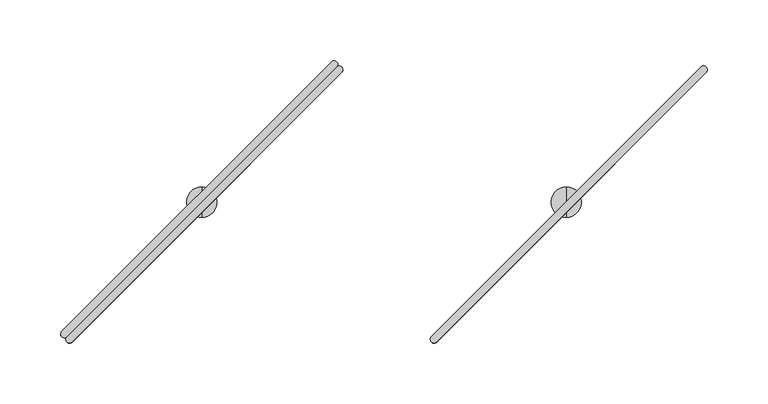
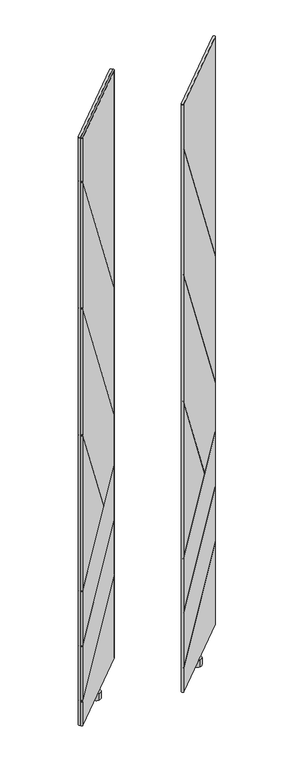
"""IFC4 building model written with IfcOpenShell, lengths in millimetres: furniture geometry."""

from ifc_helpers import new_model, si_unit, frame, origin, place, context, project, spatial, circle_curve, ellipse_curve, source, transform, mapped, element, save
from ifc_brep_helpers import plane_surface, cylinder_surface, advanced_brep


def furniture_d6d1e725(model_context):
    return source(origin(), model_context, "Body", "AdvancedBrep", [
        advanced_brep(
        [(189.0394266, -183.0083649, 1930.6159983), (193.3021387, -187.2719392, 1930.6159983), (415.3105076, 34.7398168, 1930.6159983), (411.0965142, 38.9555155, 1930.6159983), (189.0394267, -183.0083649, 80.7339983), (411.0965142, 38.9555155, 80.7339983), (415.3105076, 34.7398168, 80.7339983), (193.3021387, -187.2719392, 80.7339983), (193.3021387, -187.2719392, 157.2450364), (189.7070723, -187.7758015, 155.5577715), (189.7070723, -187.7758015, 159.2609644), (193.3021387, -187.2719392, 160.9482293), (193.3021387, -187.2719392, 331.0842819), (189.7070723, -187.7758015, 329.397073), (189.7070723, -187.7758015, 331.2192637), (193.3021387, -187.2719392, 332.9064727), (193.3021387, -187.2719392, 503.9007569), (189.7070723, -187.7758015, 502.2133563), (189.7070723, -187.7758015, 504.0355995), (193.3021387, -187.2719392, 505.723), (193.3021387, -187.2719392, 988.4501208), (189.7070723, -187.7758015, 993.5149532), (189.7070723, -187.7758015, 996.6856054), (193.3021387, -187.2719392, 991.620773), (193.3021387, -187.2719392, 1387.9049255), (189.7070723, -187.7758015, 1392.9697579), (189.7070723, -187.7758015, 1396.14041), (193.3021387, -187.2719392, 1391.0755777), (193.3021387, -187.2719392, 1787.3575622), (189.7070723, -187.7758015, 1792.4233739), (189.7070723, -187.7758015, 1795.594488), (193.3021387, -187.2719392, 1790.5286762), (415.3105076, 34.7398168, 343.7227086), (415.3105076, 34.7398168, 513.852707), (415.3105076, 34.7398168, 515.6748977), (415.3105076, 34.7398168, 686.6899393), (339.8202556, -40.7515869, 626.3577623), (340.7826171, -39.7892108, 627.1501165), (415.3105076, 34.7398168, 688.5121824), (415.3105076, 34.7398168, 839.2524065), (415.3105076, 34.7398168, 842.4230587), (415.3105076, 34.7398168, 1238.5989503), (415.3105076, 34.7398168, 1241.7700643), (415.3105076, 34.7398168, 340.0195157), (415.7462357, 38.263362, 1236.8768508), (415.7462357, 38.263362, 1233.7057367), (415.7462357, 38.263362, 837.5307912), (415.7462357, 38.263362, 834.360139), (415.7462357, 38.263362, 690.1420912), (415.7462357, 38.263362, 688.3198481), (415.7462357, 38.263362, 517.3046215), (415.7462357, 38.263362, 515.4824307), (415.7462357, 38.263362, 345.3524863), (415.7462357, 38.263362, 341.6492934), (339.23814, -38.2447337, 627.1501165), (338.2757712, -39.2071025, 626.3577623)],
        [
            (0, 1, circle_curve(frame((191.1705508, -185.1403839, 1930.6159983), z_axis=(0.0, 0.0, 1.0), x_axis=(-0.7072551987263337, -0.7069583324882551, 0.0)), 3.0144975)),
            (1, 2),
            (2, 3, circle_curve(frame((413.1513589, 36.7955352, 1930.6159983), z_axis=(0.0, 0.0, 1.0), x_axis=(0.6895472047235311, 0.7242407420588576, 0.0)), 2.9812584)),
            (3, 0),
            (4, 5),
            (5, 6, circle_curve(frame((413.1513589, 36.7955352, 80.7339983), z_axis=(0.0, 0.0, -1.0), x_axis=(0.6895472047235311, 0.7242407420588576, 0.0)), 2.9812584)),
            (6, 7),
            (7, 4, circle_curve(frame((191.1705508, -185.1403839, 80.7339983), z_axis=(0.0, 0.0, -1.0), x_axis=(-0.7072551987263337, -0.7069583324882551, 0.0)), 3.0144975)),
            (0, 4),
            (7, 8),
            (8, 9, ellipse_curve(frame((191.1705508, -185.1403839, 157.245023), z_axis=(0.3557466555065141, 0.35574665550651347, -0.8642271889913322), x_axis=(0.6111009058215596, 0.6111009058215586, 0.5031017449861808)), 3.4880845, 3.0144975)),
            (9, 10),
            (10, 11, ellipse_curve(frame((191.1705508, -185.1403839, 160.9482159), z_axis=(-0.3557466555065138, -0.3557466555065132, 0.8642271889913322), x_axis=(0.6111009058215596, 0.6111009058215585, 0.5031017449861812)), 3.4880845, 3.0144975)),
            (11, 12),
            (12, 13, ellipse_curve(frame((191.1705508, -185.1403839, 331.0842685), z_axis=(0.3557378542673982, 0.35573785426739757, -0.8642344346775678), x_axis=(0.611106029295431, 0.61110602929543, 0.5030892981544577)), 3.4880553, 3.0144975)),
            (13, 14),
            (14, 15, ellipse_curve(frame((191.1705508, -185.1403839, 332.9064593), z_axis=(-0.3557378542673982, -0.35573785426739757, 0.8642344346775679), x_axis=(0.6111060292954311, 0.6111060292954301, 0.5030892981544572)), 3.4880553, 3.0144975)),
            (15, 16),
            (16, 17, ellipse_curve(frame((191.1705508, -185.1403839, 503.9007435), z_axis=(0.35576802902276067, 0.35576802902276006, -0.8642095920843049), x_axis=(0.6110884629292728, 0.6110884629292717, 0.5031319717027326)), 3.4881556, 3.0144975)),
            (17, 18),
            (18, 19, ellipse_curve(frame((191.1705508, -185.1403839, 505.7229867), z_axis=(-0.3557680290227606, -0.35576802902276, 0.864209592084305), x_axis=(0.6110884629292728, 0.6110884629292717, 0.5031319717027324)), 3.4881556, 3.0144975)),
            (19, 20),
            (20, 21, ellipse_curve(frame((191.1705508, -185.1403839, 988.450161), z_axis=(-0.6137217711363941, -0.6137217711363931, -0.4966801538882102), x_axis=(-0.3512059048951317, -0.3512059048951311, 0.8679336522647246)), 6.0692932, 3.0144975)),
            (21, 22),
            (22, 23, ellipse_curve(frame((191.1705508, -185.1403839, 991.6208132), z_axis=(0.6137217711363941, 0.613721771136393, 0.49668015388821024), x_axis=(-0.35120590489513176, -0.3512059048951311, 0.8679336522647245)), 6.0692932, 3.0144975)),
            (23, 24),
            (24, 25, ellipse_curve(frame((191.1705508, -185.1403839, 1387.9049657), z_axis=(-0.6137217711363941, -0.6137217711363931, -0.4966801538882103), x_axis=(-0.35120590489513176, -0.3512059048951312, 0.8679336522647245)), 6.0692932, 3.0144975)),
            (25, 26),
            (26, 27, ellipse_curve(frame((191.1705508, -185.1403839, 1391.0756178), z_axis=(0.6137217711363941, 0.6137217711363931, 0.4966801538882103), x_axis=(-0.35120590489513176, -0.3512059048951312, 0.8679336522647245)), 6.0692932, 3.0144975)),
            (27, 28),
            (28, 29, ellipse_curve(frame((191.1705508, -185.1403839, 1787.3576024), z_axis=(-0.6137510408992914, -0.6137510408992903, -0.4966078126550913), x_axis=(-0.351154751918634, -0.3511547519186334, 0.8679750459603811)), 6.0701774, 3.0144975)),
            (29, 30),
            (30, 31, ellipse_curve(frame((191.1705508, -185.1403839, 1790.5287164), z_axis=(0.6137510408992906, 0.6137510408992916, 0.4966078126550908), x_axis=(-0.351154751918633, -0.35115475191863355, 0.8679750459603813)), 6.0701774, 3.0144975)),
            (31, 1),
            (11, 32),
            (32, 33),
            (33, 12),
            (15, 34),
            (34, 35),
            (35, 16),
            (19, 36),
            (36, 20),
            (23, 37),
            (37, 38),
            (38, 39),
            (39, 24),
            (27, 40),
            (40, 41),
            (41, 28),
            (31, 42),
            (42, 2),
            (6, 43),
            (43, 8),
            (42, 44, ellipse_curve(frame((413.1513589, 36.7955352, 1241.8978926), z_axis=(0.6137510408992906, 0.6137510408992916, 0.4966078126550908), x_axis=(-0.351154751918633, -0.35115475191863355, 0.8679750459603813)), 6.003245, 2.9812584)),
            (44, 45),
            (45, 41, ellipse_curve(frame((413.1513589, 36.7955352, 1238.7267785), z_axis=(-0.6137510408992914, -0.6137510408992903, -0.4966078126550913), x_axis=(-0.351154751918634, -0.3511547519186334, 0.8679750459603811)), 6.003245, 2.9812584)),
            (40, 46, ellipse_curve(frame((413.1513589, 36.7955352, 842.5508622), z_axis=(0.6137217711363941, 0.6137217711363931, 0.4966801538882103), x_axis=(-0.35120590489513176, -0.3512059048951312, 0.8679336522647245)), 6.0023706, 2.9812584)),
            (46, 47),
            (47, 39, ellipse_curve(frame((413.1513589, 36.7955352, 839.3802101), z_axis=(-0.6137217711363941, -0.6137217711363931, -0.4966801538882103), x_axis=(-0.35120590489513176, -0.3512059048951312, 0.8679336522647245)), 6.0023706, 2.9812584)),
            (38, 48, ellipse_curve(frame((413.1513589, 36.7955352, 688.4696034), z_axis=(-0.355768029022761, -0.3557680290227604, 0.8642095920843047), x_axis=(0.6110884629292725, 0.6110884629292714, 0.5031319717027329)), 3.4496937, 2.9812584)),
            (48, 49),
            (49, 35, ellipse_curve(frame((413.1513589, 36.7955352, 686.6473602), z_axis=(0.35576802902276067, 0.35576802902276006, -0.8642095920843049), x_axis=(0.6110884629292728, 0.6110884629292717, 0.5031319717027326)), 3.4496937, 2.9812584)),
            (34, 50, ellipse_curve(frame((413.1513589, 36.7955352, 515.6323235), z_axis=(-0.3557378542673982, -0.35573785426739757, 0.8642344346775679), x_axis=(0.6111060292954311, 0.6111060292954301, 0.5030892981544572)), 3.4495945, 2.9812584)),
            (50, 51),
            (51, 33, ellipse_curve(frame((413.1513589, 36.7955352, 513.8101328), z_axis=(0.3557378542673982, 0.35573785426739757, -0.8642344346775678), x_axis=(0.611106029295431, 0.61110602929543, 0.5030892981544577)), 3.4495945, 2.9812584)),
            (32, 52, ellipse_curve(frame((413.1513589, 36.7955352, 343.6801329), z_axis=(-0.3557466555065138, -0.3557466555065132, 0.8642271889913322), x_axis=(0.6111009058215596, 0.6111009058215585, 0.5031017449861812)), 3.4496234, 2.9812584)),
            (52, 53),
            (53, 43, ellipse_curve(frame((413.1513589, 36.7955352, 339.97694), z_axis=(0.3557466555065141, 0.35574665550651347, -0.8642271889913322), x_axis=(0.6111009058215596, 0.6111009058215586, 0.5031017449861808)), 3.4496234, 2.9812584)),
            (5, 3),
            (9, 53),
            (52, 10),
            (29, 45),
            (44, 30),
            (25, 47),
            (46, 26),
            (13, 51),
            (50, 14),
            (54, 22),
            (21, 55),
            (55, 18),
            (17, 49),
            (48, 54),
            (37, 54),
            (36, 55),
        ],
        [
            plane_surface(frame((302.1871468, -74.146243, 1930.6159983), z_axis=(0.0, 0.0, 1.0000000000000002), x_axis=(-0.7072551987263422, -0.7069583324882467, 0.0))),
            plane_surface(frame((302.1871468, -74.146243, 80.7339983), z_axis=(0.0, 0.0, -1.0000000000000002), x_axis=(-0.7072551987263422, -0.7069583324882467, 0.0))),
            cylinder_surface(frame((191.1705508, -185.1403839, 80.7339983), z_axis=(0.0, 0.0, 1.0), x_axis=(-0.7072551987263337, -0.7069583324882551, 0.0)), 3.0144975),
            plane_surface(frame((304.3063231, -76.2660612, 80.7339983), z_axis=(0.7071121751659858, -0.7071013871659624, 0.0), x_axis=(0.7071013871659624, 0.7071121751659858, 0.0))),
            cylinder_surface(frame((413.1513589, 36.7955352, 80.7339983), z_axis=(0.0, 0.0, 1.0), x_axis=(0.6895472047235311, 0.7242407420588576, 0.0)), 2.9812584),
            plane_surface(frame((300.0679705, -72.0264247, 80.7339983), z_axis=(-0.7069583324882512, 0.7072551987263376, 0.0), x_axis=(-0.7072551987263376, -0.7069583324882512, 0.0))),
            plane_surface(frame((206.1575445, -171.3253292, 169.1009707), z_axis=(0.7071067811865472, -0.7071067811865481, 0.0), x_axis=(-0.6111009058215594, -0.6111009058215585, -0.5031017449861812))),
            plane_surface(frame((206.9763825, -210.0196182, 153.5100877), z_axis=(-0.3557466555065141, -0.35574665550651347, 0.8642271889913322), x_axis=(-0.7071067811865469, 0.7071067811865481, 0.0))),
            plane_surface(frame((444.4067973, 27.4107966, 352.6828911), z_axis=(0.35574665550651385, 0.35574665550651324, -0.8642271889913324), x_axis=(-0.7071067811865469, 0.7071067811865481, 0.0))),
            plane_surface(frame((206.9763825, -210.0196182, 1798.5713009), z_axis=(0.6137510408992913, 0.6137510408992902, 0.4966078126550912), x_axis=(-0.7071067811865469, 0.7071067811865481, 0.0))),
            plane_surface(frame((444.4067973, 27.4107966, 1214.8681832), z_axis=(-0.6137510408992906, -0.6137510408992916, -0.4966078126550908), x_axis=(-0.7071067811865481, 0.7071067811865469, 0.0))),
            plane_surface(frame((206.9763825, -210.0196182, 1399.1164962), z_axis=(0.6137217711363941, 0.6137217711363931, 0.4966801538882103), x_axis=(-0.7071067811865469, 0.7071067811865481, 0.0))),
            plane_surface(frame((444.4067973, 27.4107966, 815.5263786), z_axis=(-0.6137217711363941, -0.6137217711363931, -0.4966801538882103), x_axis=(-0.7071067811865469, 0.7071067811865481, 0.0))),
            plane_surface(frame((206.9763825, -210.0196182, 500.1655078), z_axis=(-0.35576802902276067, -0.35576802902276006, 0.8642095920843049), x_axis=(-0.7071067811865469, 0.7071067811865481, 0.0))),
            plane_surface(frame((444.4067973, 27.4107966, 697.4730857), z_axis=(0.355768029022761, 0.3557680290227604, -0.8642095920843047), x_axis=(-0.7071067811865469, 0.7071067811865481, 0.0))),
            plane_surface(frame((206.9763825, -210.0196182, 327.3494569), z_axis=(-0.3557378542673982, -0.35573785426739757, 0.8642344346775678), x_axis=(-0.7071067811865469, 0.7071067811865481, 0.0))),
            plane_surface(frame((444.4067973, 27.4107966, 524.6347834), z_axis=(0.3557378542673982, 0.35573785426739757, -0.8642344346775679), x_axis=(-0.7071067811865469, 0.7071067811865481, 0.0))),
            plane_surface(frame((358.9947035, -58.0012972, 627.1501165), z_axis=(-0.6137217711363941, -0.613721771136393, -0.49668015388821024), x_axis=(-0.7071067811865469, 0.7071067811865481, 0.0))),
            plane_surface(frame((206.9763825, -210.0196182, 999.6616916), z_axis=(0.6137217711363941, 0.6137217711363931, 0.4966801538882102), x_axis=(-0.7071067811865469, 0.7071067811865481, 0.0))),
            plane_surface(frame((358.0323347, -58.963666, 626.3577623), z_axis=(0.3557680290227606, 0.35576802902276, -0.864209592084305), x_axis=(-0.7071067811865469, 0.7071067811865481, 0.0))),
        ],
        [
            (0, [[1, 2, 3, 4]]),
            (1, [[5, 6, 7, 8]]),
            (2, [[-1, 9, -8, 10, 11, 12, 13, 14, 15, 16, 17, 18, 19, 20, 21, 22, 23, 24, 25, 26, 27, 28, 29, 30, 31, 32, 33, 34]]),
            (3, [[-14, 35, 36, 37]]),
            (3, [[-18, 38, 39, 40]]),
            (3, [[-22, 41, 42]]),
            (3, [[-26, 43, 44, 45, 46]]),
            (3, [[-30, 47, 48, 49]]),
            (3, [[-2, -34, 50, 51]]),
            (3, [[-7, 52, 53, -10]]),
            (4, [[-3, -51, 54, 55, 56, -48, 57, 58, 59, -45, 60, 61, 62, -39, 63, 64, 65, -36, 66, 67, 68, -52, -6, 69]]),
            (5, [[-4, -69, -5, -9]]),
            (6, [[70, -67, 71, -12]]),
            (6, [[72, -55, 73, -32]]),
            (6, [[74, -58, 75, -28]]),
            (6, [[76, -64, 77, -16]]),
            (6, [[78, -24, 79, 80, -20, 81, -61, 82]]),
            (7, [[-70, -11, -53, -68]]),
            (8, [[-71, -66, -35, -13]]),
            (9, [[-72, -31, -49, -56]]),
            (10, [[-73, -54, -50, -33]]),
            (11, [[-74, -27, -46, -59]]),
            (12, [[-75, -57, -47, -29]]),
            (13, [[-81, -19, -40, -62]]),
            (14, [[-82, -60, -44, 83]]),
            (15, [[-76, -15, -37, -65]]),
            (16, [[-77, -63, -38, -17]]),
            (17, [[-78, -83, -43, -25]]),
            (18, [[-79, -23, -42, 84]]),
            (19, [[-80, -84, -41, -21]]),
        ],
    ),
        advanced_brep(
        [(299.9994, -84.5709522, 80.7339983), (299.9994, -59.5748171, 80.7339983), (299.9994, -59.5748171, 59.9975986), (299.9994, -84.5709522, 59.9975986), (299.9994, -72.0728847, 80.7339983), (299.9994, -72.0728847, 59.9975986)],
        [
            (0, 1, circle_curve(frame((299.9994, -72.0728847, 80.7339983), z_axis=(0.0, 0.0, -1.0), x_axis=(0.0, 1.0, 0.0)), 12.4980675)),
            (1, 2),
            (2, 3, circle_curve(frame((299.9994, -72.0728847, 59.9975986), z_axis=(0.0, 0.0, 1.0), x_axis=(0.0, 1.0, 0.0)), 12.4980675)),
            (3, 0),
            (4, 1),
            (0, 4),
            (0, 1, circle_curve(frame((299.9994, -72.0728847, 80.7339983), z_axis=(0.0, 0.0, 1.0), x_axis=(0.0, 1.0, 0.0)), 12.4980675)),
            (2, 5),
            (5, 3),
            (2, 3, circle_curve(frame((299.9994, -72.0728847, 59.9975986), z_axis=(0.0, 0.0, -1.0), x_axis=(0.0, 1.0, 0.0)), 12.4980675)),
        ],
        [
            cylinder_surface(frame((299.9994, -72.0728847, 88.2747758), z_axis=(0.0, 0.0, 1.0), x_axis=(0.0, 1.0, 0.0)), 12.4980675),
            plane_surface(frame((299.9994, -72.0728847, 80.7339983), z_axis=(0.0, 0.0, 1.0), x_axis=(0.0, 1.0, 0.0))),
            plane_surface(frame((299.9994, -72.0728847, 59.9975986), z_axis=(0.0, 0.0, -1.0), x_axis=(0.0, 1.0, 0.0))),
        ],
        [
            (0, [[1, 2, 3, 4]]),
            (1, [[5, -1, 6]]),
            (1, [[-6, 7, -5]]),
            (2, [[-3, 8, 9]]),
            (2, [[10, -9, -8]]),
            (0, [[-7, -4, -10, -2]]),
        ],
    ),
        advanced_brep(
        [(-110.9206656, -183.0476726, 1930.6159983), (111.0432147, 39.0094149, 1930.6159983), (106.8275161, 43.2234083, 1930.6159983), (-115.18424, -178.7849606, 1930.6159983), (-110.9206656, -183.0476726, 80.7339983), (-115.18424, -178.7849606, 80.7339983), (106.8275161, 43.2234083, 80.7339983), (111.0432147, 39.0094149, 80.7339983), (-115.18424, -178.7849606, 1790.5286762), (-115.6881022, -182.380027, 1795.594488), (-115.6881022, -182.380027, 1792.4233739), (-115.18424, -178.7849606, 1787.3575622), (-115.18424, -178.7849606, 1391.0755777), (-115.6881022, -182.380027, 1396.14041), (-115.6881022, -182.380027, 1392.9697579), (-115.18424, -178.7849606, 1387.9049255), (-115.18424, -178.7849606, 991.620773), (-115.6881022, -182.380027, 996.6856054), (-115.6881022, -182.380027, 993.5149532), (-115.18424, -178.7849606, 988.4501208), (-115.18424, -178.7849606, 505.723), (-115.6881022, -182.380027, 504.0355995), (-115.6881022, -182.380027, 502.2133563), (-115.18424, -178.7849606, 503.9007569), (-115.18424, -178.7849606, 332.9064727), (-115.6881022, -182.380027, 331.2192637), (-115.6881022, -182.380027, 329.397073), (-115.18424, -178.7849606, 331.0842819), (-115.18424, -178.7849606, 160.9482293), (-115.6881022, -182.380027, 159.2609644), (-115.6881022, -182.380027, 155.5577715), (-115.18424, -178.7849606, 157.2450364), (106.8275161, 43.2234083, 1241.7700643), (106.8275161, 43.2234083, 340.0195157), (106.8275161, 43.2234083, 1238.5989503), (106.8275161, 43.2234083, 842.4230587), (106.8275161, 43.2234083, 839.2524065), (106.8275161, 43.2234083, 688.5121824), (32.2984885, -31.3044822, 627.1501165), (31.3361124, -32.2668437, 626.3577623), (106.8275161, 43.2234083, 686.6899393), (106.8275161, 43.2234083, 515.6748977), (106.8275161, 43.2234083, 513.852707), (106.8275161, 43.2234083, 343.7227086), (110.3510612, 43.6591364, 341.6492934), (110.3510612, 43.6591364, 345.3524863), (110.3510612, 43.6591364, 515.4824307), (110.3510612, 43.6591364, 517.3046215), (110.3510612, 43.6591364, 688.3198481), (110.3510612, 43.6591364, 690.1420912), (110.3510612, 43.6591364, 834.360139), (110.3510612, 43.6591364, 837.5307912), (110.3510612, 43.6591364, 1233.7057367), (110.3510612, 43.6591364, 1236.8768508), (33.8429656, -32.8489592, 627.1501165), (32.8805967, -33.811328, 626.3577623)],
        [
            (0, 1),
            (1, 2, circle_curve(frame((108.8832345, 41.0642596, 1930.6159983), z_axis=(0.0, 0.0, 1.0), x_axis=(0.6892541380737184, 0.724519656840486, 0.0)), 2.9812584)),
            (2, 3),
            (3, 0, circle_curve(frame((-113.0526846, -180.9165485, 1930.6159983), z_axis=(0.0, 0.0, 1.0), x_axis=(-0.7071121751659861, -0.7071013871659622, 0.0)), 3.0144975)),
            (4, 5, circle_curve(frame((-113.0526846, -180.9165485, 80.7339983), z_axis=(0.0, 0.0, -1.0), x_axis=(-0.7071121751659861, -0.7071013871659622, 0.0)), 3.0144975)),
            (5, 6),
            (6, 7, circle_curve(frame((108.8832345, 41.0642596, 80.7339983), z_axis=(0.0, 0.0, -1.0), x_axis=(0.6892541380737184, 0.724519656840486, 0.0)), 2.9812584)),
            (7, 4),
            (3, 8),
            (8, 9, ellipse_curve(frame((-113.0526846, -180.9165485, 1790.5287164), z_axis=(0.6137510408992909, 0.6137510408992904, 0.4966078126550915), x_axis=(-0.3511547519186339, -0.35115475191863366, 0.867975045960381)), 6.0701774, 3.0144975)),
            (9, 10),
            (10, 11, ellipse_curve(frame((-113.0526846, -180.9165485, 1787.3576024), z_axis=(-0.6137510408992913, -0.6137510408992902, -0.49660781265509124), x_axis=(-0.3511547519186339, -0.35115475191863327, 0.8679750459603811)), 6.0701774, 3.0144975)),
            (11, 12),
            (12, 13, ellipse_curve(frame((-113.0526846, -180.9165485, 1391.0756178), z_axis=(0.6137217711363938, 0.6137217711363934, 0.4966801538882105), x_axis=(-0.3512059048951318, -0.35120590489513154, 0.8679336522647244)), 6.0692932, 3.0144975)),
            (13, 14),
            (14, 15, ellipse_curve(frame((-113.0526846, -180.9165485, 1387.9049657), z_axis=(-0.6137217711363929, -0.613721771136394, -0.4966801538882105), x_axis=(-0.3512059048951313, -0.3512059048951319, 0.8679336522647244)), 6.0692932, 3.0144975)),
            (15, 16),
            (16, 17, ellipse_curve(frame((-113.0526846, -180.9165485, 991.6208132), z_axis=(0.6137217711363938, 0.6137217711363934, 0.49668015388821035), x_axis=(-0.35120590489513165, -0.35120590489513137, 0.8679336522647245)), 6.0692932, 3.0144975)),
            (17, 18),
            (18, 19, ellipse_curve(frame((-113.0526846, -180.9165485, 988.450161), z_axis=(-0.613721771136394, -0.6137217711363929, -0.4966801538882105), x_axis=(-0.3512059048951319, -0.3512059048951313, 0.8679336522647244)), 6.0692932, 3.0144975)),
            (19, 20),
            (20, 21, ellipse_curve(frame((-113.0526846, -180.9165485, 505.7229867), z_axis=(-0.35576802902276056, -0.35576802902275995, 0.8642095920843049), x_axis=(0.6110884629292727, 0.6110884629292717, 0.5031319717027327)), 3.4881556, 3.0144975)),
            (21, 22),
            (22, 23, ellipse_curve(frame((-113.0526846, -180.9165485, 503.9007435), z_axis=(0.35576802902276056, 0.35576802902275995, -0.8642095920843049), x_axis=(0.6110884629292727, 0.6110884629292717, 0.5031319717027327)), 3.4881556, 3.0144975)),
            (23, 24),
            (24, 25, ellipse_curve(frame((-113.0526846, -180.9165485, 332.9064593), z_axis=(-0.3557378542673982, -0.35573785426739757, 0.8642344346775679), x_axis=(0.6111060292954311, 0.6111060292954301, 0.5030892981544572)), 3.4880553, 3.0144975)),
            (25, 26),
            (26, 27, ellipse_curve(frame((-113.0526846, -180.9165485, 331.0842685), z_axis=(0.35573785426739823, 0.3557378542673976, -0.8642344346775679), x_axis=(0.6111060292954312, 0.6111060292954301, 0.5030892981544572)), 3.4880553, 3.0144975)),
            (27, 28),
            (28, 29, ellipse_curve(frame((-113.0526846, -180.9165485, 160.9482159), z_axis=(-0.3557466555065138, -0.3557466555065132, 0.8642271889913322), x_axis=(0.6111009058215596, 0.6111009058215585, 0.5031017449861812)), 3.4880845, 3.0144975)),
            (29, 30),
            (30, 31, ellipse_curve(frame((-113.0526846, -180.9165485, 157.245023), z_axis=(0.3557466555065137, 0.3557466555065131, -0.8642271889913324), x_axis=(0.6111009058215598, 0.6111009058215587, 0.5031017449861805)), 3.4880845, 3.0144975)),
            (31, 5),
            (4, 0),
            (2, 32),
            (32, 8),
            (31, 33),
            (33, 6),
            (11, 34),
            (34, 35),
            (35, 12),
            (15, 36),
            (36, 37),
            (37, 38),
            (38, 16),
            (19, 39),
            (39, 20),
            (23, 40),
            (40, 41),
            (41, 24),
            (27, 42),
            (42, 43),
            (43, 28),
            (1, 7),
            (33, 44, ellipse_curve(frame((108.8832345, 41.0642596, 339.97694), z_axis=(0.3557466555065137, 0.3557466555065131, -0.8642271889913324), x_axis=(0.6111009058215598, 0.6111009058215587, 0.5031017449861805)), 3.4496234, 2.9812584)),
            (44, 45),
            (45, 43, ellipse_curve(frame((108.8832345, 41.0642596, 343.6801329), z_axis=(-0.3557466555065138, -0.3557466555065132, 0.8642271889913322), x_axis=(0.6111009058215596, 0.6111009058215585, 0.5031017449861812)), 3.4496234, 2.9812584)),
            (42, 46, ellipse_curve(frame((108.8832345, 41.0642596, 513.8101328), z_axis=(0.35573785426739823, 0.3557378542673976, -0.8642344346775679), x_axis=(0.6111060292954312, 0.6111060292954301, 0.5030892981544572)), 3.4495945, 2.9812584)),
            (46, 47),
            (47, 41, ellipse_curve(frame((108.8832345, 41.0642596, 515.6323235), z_axis=(-0.3557378542673982, -0.35573785426739757, 0.8642344346775679), x_axis=(0.6111060292954311, 0.6111060292954301, 0.5030892981544572)), 3.4495945, 2.9812584)),
            (40, 48, ellipse_curve(frame((108.8832345, 41.0642596, 686.6473602), z_axis=(0.35576802902276056, 0.35576802902275995, -0.8642095920843049), x_axis=(0.6110884629292727, 0.6110884629292717, 0.5031319717027327)), 3.4496937, 2.9812584)),
            (48, 49),
            (49, 37, ellipse_curve(frame((108.8832345, 41.0642596, 688.4696034), z_axis=(-0.35576802902276056, -0.35576802902275995, 0.8642095920843049), x_axis=(0.6110884629292727, 0.6110884629292717, 0.5031319717027327)), 3.4496937, 2.9812584)),
            (36, 50, ellipse_curve(frame((108.8832345, 41.0642596, 839.3802101), z_axis=(-0.6137217711363929, -0.613721771136394, -0.4966801538882105), x_axis=(-0.3512059048951313, -0.3512059048951319, 0.8679336522647244)), 6.0023706, 2.9812584)),
            (50, 51),
            (51, 35, ellipse_curve(frame((108.8832345, 41.0642596, 842.5508622), z_axis=(0.6137217711363938, 0.6137217711363934, 0.4966801538882105), x_axis=(-0.3512059048951318, -0.35120590489513154, 0.8679336522647244)), 6.0023706, 2.9812584)),
            (34, 52, ellipse_curve(frame((108.8832345, 41.0642596, 1238.7267785), z_axis=(-0.6137510408992913, -0.6137510408992902, -0.49660781265509124), x_axis=(-0.3511547519186339, -0.35115475191863327, 0.8679750459603811)), 6.003245, 2.9812584)),
            (52, 53),
            (53, 32, ellipse_curve(frame((108.8832345, 41.0642596, 1241.8978926), z_axis=(0.6137510408992909, 0.6137510408992904, 0.4966078126550915), x_axis=(-0.3511547519186339, -0.35115475191863366, 0.867975045960381)), 6.003245, 2.9812584)),
            (29, 45),
            (44, 30),
            (9, 53),
            (52, 10),
            (13, 51),
            (50, 14),
            (54, 49),
            (48, 22),
            (21, 55),
            (55, 18),
            (17, 54),
            (25, 47),
            (46, 26),
            (54, 38),
            (55, 39),
        ],
        [
            plane_surface(frame((-2.0585437, -69.8999525, 1930.6159983), z_axis=(0.0, 0.0, 1.0000000000000002), x_axis=(0.7069583324882522, 0.7072551987263367, 0.0))),
            plane_surface(frame((-2.0585437, -69.8999525, 80.7339983), z_axis=(0.0, 0.0, -1.0000000000000002), x_axis=(0.7069583324882522, 0.7072551987263367, 0.0))),
            cylinder_surface(frame((-113.0526846, -180.9165485, 80.7339983), z_axis=(0.0, 0.0, 1.0), x_axis=(-0.7071121751659861, -0.7071013871659622, 0.0)), 3.0144975),
            plane_surface(frame((-4.1783619, -67.7807761, 80.7339983), z_axis=(-0.7071013871659615, 0.7071121751659868, 0.0), x_axis=(-0.7071121751659868, -0.7071013871659615, 0.0))),
            cylinder_surface(frame((108.8832345, 41.0642596, 80.7339983), z_axis=(0.0, 0.0, 1.0), x_axis=(0.6892541380737184, 0.724519656840486, 0.0)), 2.9812584),
            plane_surface(frame((0.0612746, -72.0191288, 80.7339983), z_axis=(0.7072551987263367, -0.7069583324882522, 0.0), x_axis=(0.7069583324882522, 0.7072551987263367, 0.0))),
            plane_surface(frame((-118.1753555, -184.8672803, 1789.3352577), z_axis=(-0.7071067811865472, 0.707106781186548, 0.0), x_axis=(0.0, 0.0, -1.0))),
            plane_surface(frame((99.4984959, 72.3196981, 348.9796982), z_axis=(-0.3557466555065137, -0.3557466555065131, 0.8642271889913324), x_axis=(0.7071067811865469, -0.7071067811865481, 0.0))),
            plane_surface(frame((-137.9319189, -165.1107168, 157.2132806), z_axis=(0.35574665550651385, 0.35574665550651324, -0.8642271889913324), x_axis=(0.7071067811865469, -0.7071067811865481, 0.0))),
            plane_surface(frame((99.4984959, 72.3196981, 1211.6970692), z_axis=(0.6137510408992913, 0.6137510408992902, 0.49660781265509124), x_axis=(0.7071067811865469, -0.7071067811865481, 0.0))),
            plane_surface(frame((-137.9319189, -165.1107168, 1801.7424149), z_axis=(-0.6137510408992909, -0.6137510408992904, -0.4966078126550915), x_axis=(0.7071067811865472, -0.7071067811865478, 0.0))),
            plane_surface(frame((99.4984959, 72.3196981, 812.3557264), z_axis=(0.6137217711363929, 0.613721771136394, 0.4966801538882105), x_axis=(0.7071067811865481, -0.7071067811865469, 0.0))),
            plane_surface(frame((-137.9319189, -165.1107168, 1402.2871484), z_axis=(-0.6137217711363938, -0.6137217711363934, -0.4966801538882105), x_axis=(0.7071067811865472, -0.7071067811865478, 0.0))),
            plane_surface(frame((99.4984959, 72.3196981, 695.6508426), z_axis=(-0.3557680290227606, -0.35576802902276, 0.8642095920843051), x_axis=(0.7071067811865469, -0.7071067811865481, 0.0))),
            plane_surface(frame((14.0864021, -13.0923958, 627.1501165), z_axis=(0.3557680290227606, 0.35576802902276, -0.8642095920843051), x_axis=(0.7071067811865469, -0.7071067811865481, 0.0))),
            plane_surface(frame((99.4984959, 72.3196981, 522.8125927), z_axis=(-0.35573785426739823, -0.3557378542673976, 0.8642344346775679), x_axis=(0.7071067811865469, -0.7071067811865481, 0.0))),
            plane_surface(frame((-137.9319189, -165.1107168, 329.1716477), z_axis=(0.3557378542673982, 0.35573785426739757, -0.8642344346775679), x_axis=(0.7071067811865469, -0.7071067811865481, 0.0))),
            plane_surface(frame((-137.9319189, -165.1107168, 1002.8323438), z_axis=(-0.6137217711363938, -0.6137217711363934, -0.49668015388821035), x_axis=(0.7071067811865472, -0.7071067811865478, 0.0))),
            plane_surface(frame((13.1240333, -14.0547646, 626.3577623), z_axis=(0.613721771136394, 0.6137217711363929, 0.4966801538882105), x_axis=(0.7071067811865469, -0.7071067811865481, 0.0))),
            plane_surface(frame((-137.9319189, -165.1107168, 501.9877509), z_axis=(0.3557680290227606, 0.35576802902276, -0.8642095920843051), x_axis=(0.7071067811865469, -0.7071067811865481, 0.0))),
        ],
        [
            (0, [[1, 2, 3, 4]]),
            (1, [[5, 6, 7, 8]]),
            (2, [[-4, 9, 10, 11, 12, 13, 14, 15, 16, 17, 18, 19, 20, 21, 22, 23, 24, 25, 26, 27, 28, 29, 30, 31, 32, 33, -5, 34]]),
            (3, [[-3, 35, 36, -9]]),
            (3, [[-6, -33, 37, 38]]),
            (3, [[-13, 39, 40, 41]]),
            (3, [[-17, 42, 43, 44, 45]]),
            (3, [[-21, 46, 47]]),
            (3, [[-25, 48, 49, 50]]),
            (3, [[-29, 51, 52, 53]]),
            (4, [[-2, 54, -7, -38, 55, 56, 57, -52, 58, 59, 60, -49, 61, 62, 63, -43, 64, 65, 66, -40, 67, 68, 69, -35]]),
            (5, [[-1, -34, -8, -54]]),
            (6, [[70, -56, 71, -31]]),
            (6, [[72, -68, 73, -11]]),
            (6, [[74, -65, 75, -15]]),
            (6, [[76, -62, 77, -23, 78, 79, -19, 80]]),
            (6, [[81, -59, 82, -27]]),
            (7, [[-71, -55, -37, -32]]),
            (8, [[-70, -30, -53, -57]]),
            (9, [[-73, -67, -39, -12]]),
            (10, [[-72, -10, -36, -69]]),
            (11, [[-75, -64, -42, -16]]),
            (12, [[-74, -14, -41, -66]]),
            (13, [[-77, -61, -48, -24]]),
            (14, [[-76, 83, -44, -63]]),
            (15, [[-82, -58, -51, -28]]),
            (16, [[-81, -26, -50, -60]]),
            (17, [[-80, -18, -45, -83]]),
            (18, [[-79, 84, -46, -20]]),
            (19, [[-78, -22, -47, -84]]),
        ],
    ),
        advanced_brep(
        [(-110.9599734, -183.0083649, 1930.6159983), (-106.6972613, -187.2719392, 1930.6159983), (115.3111076, 34.7398168, 1930.6159983), (111.0971142, 38.9555155, 1930.6159983), (-110.9599733, -183.0083649, 80.7339983), (111.0971142, 38.9555155, 80.7339983), (115.3111076, 34.7398168, 80.7339983), (-106.6972613, -187.2719392, 80.7339983), (-106.6972613, -187.2719392, 157.2450364), (-110.2923277, -187.7758015, 155.5577715), (-110.2923277, -187.7758015, 159.2609644), (-106.6972613, -187.2719392, 160.9482293), (-106.6972613, -187.2719392, 331.0842819), (-110.2923277, -187.7758015, 329.397073), (-110.2923277, -187.7758015, 331.2192637), (-106.6972613, -187.2719392, 332.9064727), (-106.6972613, -187.2719392, 503.9007569), (-110.2923277, -187.7758015, 502.2133563), (-110.2923277, -187.7758015, 504.0355995), (-106.6972613, -187.2719392, 505.723), (-106.6972613, -187.2719392, 988.4501208), (-110.2923277, -187.7758015, 993.5149532), (-110.2923277, -187.7758015, 996.6856054), (-106.6972613, -187.2719392, 991.620773), (-106.6972613, -187.2719392, 1387.9049255), (-110.2923277, -187.7758015, 1392.9697579), (-110.2923277, -187.7758015, 1396.14041), (-106.6972613, -187.2719392, 1391.0755777), (-106.6972613, -187.2719392, 1787.3575622), (-110.2923277, -187.7758015, 1792.4233739), (-110.2923277, -187.7758015, 1795.594488), (-106.6972613, -187.2719392, 1790.5286762), (115.3111076, 34.7398168, 343.7227086), (115.3111076, 34.7398168, 513.852707), (115.3111076, 34.7398168, 515.6748977), (115.3111076, 34.7398168, 686.6899393), (39.8208556, -40.7515869, 626.3577623), (40.7832171, -39.7892108, 627.1501165), (115.3111076, 34.7398168, 688.5121824), (115.3111076, 34.7398168, 839.2524065), (115.3111076, 34.7398168, 842.4230587), (115.3111076, 34.7398168, 1238.5989503), (115.3111076, 34.7398168, 1241.7700643), (115.3111076, 34.7398168, 340.0195157), (115.7468357, 38.263362, 1236.8768508), (115.7468357, 38.263362, 1233.7057367), (115.7468357, 38.263362, 837.5307912), (115.7468357, 38.263362, 834.360139), (115.7468357, 38.263362, 690.1420912), (115.7468357, 38.263362, 688.3198481), (115.7468357, 38.263362, 517.3046215), (115.7468357, 38.263362, 515.4824307), (115.7468357, 38.263362, 345.3524863), (115.7468357, 38.263362, 341.6492934), (39.23874, -38.2447337, 627.1501165), (38.2763712, -39.2071025, 626.3577623)],
        [
            (0, 1, circle_curve(frame((-108.8288492, -185.1403839, 1930.6159983), z_axis=(0.0, 0.0, 1.0), x_axis=(-0.7072551987263337, -0.7069583324882551, 0.0)), 3.0144975)),
            (1, 2),
            (2, 3, circle_curve(frame((113.1519589, 36.7955352, 1930.6159983), z_axis=(0.0, 0.0, 1.0), x_axis=(0.6895472047235311, 0.7242407420588576, 0.0)), 2.9812584)),
            (3, 0),
            (4, 5),
            (5, 6, circle_curve(frame((113.1519589, 36.7955352, 80.7339983), z_axis=(0.0, 0.0, -1.0), x_axis=(0.6895472047235311, 0.7242407420588576, 0.0)), 2.9812584)),
            (6, 7),
            (7, 4, circle_curve(frame((-108.8288492, -185.1403839, 80.7339983), z_axis=(0.0, 0.0, -1.0), x_axis=(-0.7072551987263337, -0.7069583324882551, 0.0)), 3.0144975)),
            (0, 4),
            (7, 8),
            (8, 9, ellipse_curve(frame((-108.8288492, -185.1403839, 157.245023), z_axis=(0.3557466555065141, 0.35574665550651347, -0.8642271889913322), x_axis=(0.6111009058215596, 0.6111009058215586, 0.5031017449861808)), 3.4880845, 3.0144975)),
            (9, 10),
            (10, 11, ellipse_curve(frame((-108.8288492, -185.1403839, 160.9482159), z_axis=(-0.3557466555065138, -0.3557466555065132, 0.8642271889913322), x_axis=(0.6111009058215596, 0.6111009058215585, 0.5031017449861812)), 3.4880845, 3.0144975)),
            (11, 12),
            (12, 13, ellipse_curve(frame((-108.8288492, -185.1403839, 331.0842685), z_axis=(0.3557378542673982, 0.35573785426739757, -0.8642344346775678), x_axis=(0.611106029295431, 0.61110602929543, 0.5030892981544577)), 3.4880553, 3.0144975)),
            (13, 14),
            (14, 15, ellipse_curve(frame((-108.8288492, -185.1403839, 332.9064593), z_axis=(-0.3557378542673982, -0.35573785426739757, 0.8642344346775679), x_axis=(0.6111060292954311, 0.6111060292954301, 0.5030892981544572)), 3.4880553, 3.0144975)),
            (15, 16),
            (16, 17, ellipse_curve(frame((-108.8288492, -185.1403839, 503.9007435), z_axis=(0.35576802902276067, 0.35576802902276006, -0.8642095920843049), x_axis=(0.6110884629292728, 0.6110884629292717, 0.5031319717027326)), 3.4881556, 3.0144975)),
            (17, 18),
            (18, 19, ellipse_curve(frame((-108.8288492, -185.1403839, 505.7229867), z_axis=(-0.3557680290227606, -0.35576802902276, 0.864209592084305), x_axis=(0.6110884629292728, 0.6110884629292717, 0.5031319717027324)), 3.4881556, 3.0144975)),
            (19, 20),
            (20, 21, ellipse_curve(frame((-108.8288492, -185.1403839, 988.450161), z_axis=(-0.6137217711363941, -0.6137217711363931, -0.4966801538882102), x_axis=(-0.3512059048951317, -0.3512059048951311, 0.8679336522647246)), 6.0692932, 3.0144975)),
            (21, 22),
            (22, 23, ellipse_curve(frame((-108.8288492, -185.1403839, 991.6208132), z_axis=(0.6137217711363941, 0.613721771136393, 0.49668015388821024), x_axis=(-0.35120590489513176, -0.3512059048951311, 0.8679336522647245)), 6.0692932, 3.0144975)),
            (23, 24),
            (24, 25, ellipse_curve(frame((-108.8288492, -185.1403839, 1387.9049657), z_axis=(-0.6137217711363941, -0.6137217711363931, -0.4966801538882103), x_axis=(-0.35120590489513176, -0.3512059048951312, 0.8679336522647245)), 6.0692932, 3.0144975)),
            (25, 26),
            (26, 27, ellipse_curve(frame((-108.8288492, -185.1403839, 1391.0756178), z_axis=(0.6137217711363941, 0.6137217711363931, 0.4966801538882103), x_axis=(-0.35120590489513176, -0.3512059048951312, 0.8679336522647245)), 6.0692932, 3.0144975)),
            (27, 28),
            (28, 29, ellipse_curve(frame((-108.8288492, -185.1403839, 1787.3576024), z_axis=(-0.6137510408992914, -0.6137510408992903, -0.4966078126550913), x_axis=(-0.351154751918634, -0.3511547519186334, 0.8679750459603811)), 6.0701774, 3.0144975)),
            (29, 30),
            (30, 31, ellipse_curve(frame((-108.8288492, -185.1403839, 1790.5287164), z_axis=(0.6137510408992906, 0.6137510408992916, 0.4966078126550908), x_axis=(-0.351154751918633, -0.35115475191863355, 0.8679750459603813)), 6.0701774, 3.0144975)),
            (31, 1),
            (11, 32),
            (32, 33),
            (33, 12),
            (15, 34),
            (34, 35),
            (35, 16),
            (19, 36),
            (36, 20),
            (23, 37),
            (37, 38),
            (38, 39),
            (39, 24),
            (27, 40),
            (40, 41),
            (41, 28),
            (31, 42),
            (42, 2),
            (6, 43),
            (43, 8),
            (42, 44, ellipse_curve(frame((113.1519589, 36.7955352, 1241.8978926), z_axis=(0.6137510408992906, 0.6137510408992916, 0.4966078126550908), x_axis=(-0.351154751918633, -0.35115475191863355, 0.8679750459603813)), 6.003245, 2.9812584)),
            (44, 45),
            (45, 41, ellipse_curve(frame((113.1519589, 36.7955352, 1238.7267785), z_axis=(-0.6137510408992914, -0.6137510408992903, -0.4966078126550913), x_axis=(-0.351154751918634, -0.3511547519186334, 0.8679750459603811)), 6.003245, 2.9812584)),
            (40, 46, ellipse_curve(frame((113.1519589, 36.7955352, 842.5508622), z_axis=(0.6137217711363941, 0.6137217711363931, 0.4966801538882103), x_axis=(-0.35120590489513176, -0.3512059048951312, 0.8679336522647245)), 6.0023706, 2.9812584)),
            (46, 47),
            (47, 39, ellipse_curve(frame((113.1519589, 36.7955352, 839.3802101), z_axis=(-0.6137217711363941, -0.6137217711363931, -0.4966801538882103), x_axis=(-0.35120590489513176, -0.3512059048951312, 0.8679336522647245)), 6.0023706, 2.9812584)),
            (38, 48, ellipse_curve(frame((113.1519589, 36.7955352, 688.4696034), z_axis=(-0.355768029022761, -0.3557680290227604, 0.8642095920843047), x_axis=(0.6110884629292725, 0.6110884629292714, 0.5031319717027329)), 3.4496937, 2.9812584)),
            (48, 49),
            (49, 35, ellipse_curve(frame((113.1519589, 36.7955352, 686.6473602), z_axis=(0.35576802902276067, 0.35576802902276006, -0.8642095920843049), x_axis=(0.6110884629292728, 0.6110884629292717, 0.5031319717027326)), 3.4496937, 2.9812584)),
            (34, 50, ellipse_curve(frame((113.1519589, 36.7955352, 515.6323235), z_axis=(-0.3557378542673982, -0.35573785426739757, 0.8642344346775679), x_axis=(0.6111060292954311, 0.6111060292954301, 0.5030892981544572)), 3.4495945, 2.9812584)),
            (50, 51),
            (51, 33, ellipse_curve(frame((113.1519589, 36.7955352, 513.8101328), z_axis=(0.3557378542673982, 0.35573785426739757, -0.8642344346775678), x_axis=(0.611106029295431, 0.61110602929543, 0.5030892981544577)), 3.4495945, 2.9812584)),
            (32, 52, ellipse_curve(frame((113.1519589, 36.7955352, 343.6801329), z_axis=(-0.3557466555065138, -0.3557466555065132, 0.8642271889913322), x_axis=(0.6111009058215596, 0.6111009058215585, 0.5031017449861812)), 3.4496234, 2.9812584)),
            (52, 53),
            (53, 43, ellipse_curve(frame((113.1519589, 36.7955352, 339.97694), z_axis=(0.3557466555065141, 0.35574665550651347, -0.8642271889913322), x_axis=(0.6111009058215596, 0.6111009058215586, 0.5031017449861808)), 3.4496234, 2.9812584)),
            (5, 3),
            (9, 53),
            (52, 10),
            (29, 45),
            (44, 30),
            (25, 47),
            (46, 26),
            (13, 51),
            (50, 14),
            (54, 22),
            (21, 55),
            (55, 18),
            (17, 49),
            (48, 54),
            (37, 54),
            (36, 55),
        ],
        [
            plane_surface(frame((2.1877468, -74.146243, 1930.6159983), z_axis=(0.0, 0.0, 1.0000000000000002), x_axis=(-0.7072551987263422, -0.7069583324882467, 0.0))),
            plane_surface(frame((2.1877468, -74.146243, 80.7339983), z_axis=(0.0, 0.0, -1.0000000000000002), x_axis=(-0.7072551987263422, -0.7069583324882467, 0.0))),
            cylinder_surface(frame((-108.8288492, -185.1403839, 80.7339983), z_axis=(0.0, 0.0, 1.0), x_axis=(-0.7072551987263337, -0.7069583324882551, 0.0)), 3.0144975),
            plane_surface(frame((4.3069231, -76.2660612, 80.7339983), z_axis=(0.7071121751659858, -0.7071013871659624, 0.0), x_axis=(0.7071013871659624, 0.7071121751659858, 0.0))),
            cylinder_surface(frame((113.1519589, 36.7955352, 80.7339983), z_axis=(0.0, 0.0, 1.0), x_axis=(0.6895472047235311, 0.7242407420588576, 0.0)), 2.9812584),
            plane_surface(frame((0.0685705, -72.0264247, 80.7339983), z_axis=(-0.7069583324882512, 0.7072551987263376, 0.0), x_axis=(-0.7072551987263376, -0.7069583324882512, 0.0))),
            plane_surface(frame((-93.8418555, -171.3253292, 169.1009707), z_axis=(0.7071067811865472, -0.7071067811865481, 0.0), x_axis=(-0.6111009058215594, -0.6111009058215585, -0.5031017449861812))),
            plane_surface(frame((-93.0230175, -210.0196182, 153.5100877), z_axis=(-0.3557466555065141, -0.35574665550651347, 0.8642271889913322), x_axis=(-0.7071067811865469, 0.7071067811865481, 0.0))),
            plane_surface(frame((144.4073973, 27.4107966, 352.6828911), z_axis=(0.35574665550651385, 0.35574665550651324, -0.8642271889913324), x_axis=(-0.7071067811865469, 0.7071067811865481, 0.0))),
            plane_surface(frame((-93.0230175, -210.0196182, 1798.5713009), z_axis=(0.6137510408992913, 0.6137510408992902, 0.4966078126550912), x_axis=(-0.7071067811865469, 0.7071067811865481, 0.0))),
            plane_surface(frame((144.4073973, 27.4107966, 1214.8681832), z_axis=(-0.6137510408992906, -0.6137510408992916, -0.4966078126550908), x_axis=(-0.7071067811865481, 0.7071067811865469, 0.0))),
            plane_surface(frame((-93.0230175, -210.0196182, 1399.1164962), z_axis=(0.6137217711363941, 0.6137217711363931, 0.4966801538882103), x_axis=(-0.7071067811865469, 0.7071067811865481, 0.0))),
            plane_surface(frame((144.4073973, 27.4107966, 815.5263786), z_axis=(-0.6137217711363941, -0.6137217711363931, -0.4966801538882103), x_axis=(-0.7071067811865469, 0.7071067811865481, 0.0))),
            plane_surface(frame((-93.0230175, -210.0196182, 500.1655078), z_axis=(-0.35576802902276067, -0.35576802902276006, 0.8642095920843049), x_axis=(-0.7071067811865469, 0.7071067811865481, 0.0))),
            plane_surface(frame((144.4073973, 27.4107966, 697.4730857), z_axis=(0.355768029022761, 0.3557680290227604, -0.8642095920843047), x_axis=(-0.7071067811865469, 0.7071067811865481, 0.0))),
            plane_surface(frame((-93.0230175, -210.0196182, 327.3494569), z_axis=(-0.3557378542673982, -0.35573785426739757, 0.8642344346775678), x_axis=(-0.7071067811865469, 0.7071067811865481, 0.0))),
            plane_surface(frame((144.4073973, 27.4107966, 524.6347834), z_axis=(0.3557378542673982, 0.35573785426739757, -0.8642344346775679), x_axis=(-0.7071067811865469, 0.7071067811865481, 0.0))),
            plane_surface(frame((58.9953035, -58.0012972, 627.1501165), z_axis=(-0.6137217711363941, -0.613721771136393, -0.49668015388821024), x_axis=(-0.7071067811865469, 0.7071067811865481, 0.0))),
            plane_surface(frame((-93.0230175, -210.0196182, 999.6616916), z_axis=(0.6137217711363941, 0.6137217711363931, 0.4966801538882102), x_axis=(-0.7071067811865469, 0.7071067811865481, 0.0))),
            plane_surface(frame((58.0329347, -58.963666, 626.3577623), z_axis=(0.3557680290227606, 0.35576802902276, -0.864209592084305), x_axis=(-0.7071067811865469, 0.7071067811865481, 0.0))),
        ],
        [
            (0, [[1, 2, 3, 4]]),
            (1, [[5, 6, 7, 8]]),
            (2, [[-1, 9, -8, 10, 11, 12, 13, 14, 15, 16, 17, 18, 19, 20, 21, 22, 23, 24, 25, 26, 27, 28, 29, 30, 31, 32, 33, 34]]),
            (3, [[-14, 35, 36, 37]]),
            (3, [[-18, 38, 39, 40]]),
            (3, [[-22, 41, 42]]),
            (3, [[-26, 43, 44, 45, 46]]),
            (3, [[-30, 47, 48, 49]]),
            (3, [[-2, -34, 50, 51]]),
            (3, [[-7, 52, 53, -10]]),
            (4, [[-3, -51, 54, 55, 56, -48, 57, 58, 59, -45, 60, 61, 62, -39, 63, 64, 65, -36, 66, 67, 68, -52, -6, 69]]),
            (5, [[-4, -69, -5, -9]]),
            (6, [[70, -67, 71, -12]]),
            (6, [[72, -55, 73, -32]]),
            (6, [[74, -58, 75, -28]]),
            (6, [[76, -64, 77, -16]]),
            (6, [[78, -24, 79, 80, -20, 81, -61, 82]]),
            (7, [[-70, -11, -53, -68]]),
            (8, [[-71, -66, -35, -13]]),
            (9, [[-72, -31, -49, -56]]),
            (10, [[-73, -54, -50, -33]]),
            (11, [[-74, -27, -46, -59]]),
            (12, [[-75, -57, -47, -29]]),
            (13, [[-81, -19, -40, -62]]),
            (14, [[-82, -60, -44, 83]]),
            (15, [[-76, -15, -37, -65]]),
            (16, [[-77, -63, -38, -17]]),
            (17, [[-78, -83, -43, -25]]),
            (18, [[-79, -23, -42, 84]]),
            (19, [[-80, -84, -41, -21]]),
        ],
    ),
        advanced_brep(
        [(0.0, -84.5709522, 80.7339983), (0.0, -59.5748171, 80.7339983), (0.0, -59.5748171, 59.9975986), (0.0, -84.5709522, 59.9975986), (0.0, -72.0728847, 80.7339983), (0.0, -72.0728847, 59.9975986)],
        [
            (0, 1, circle_curve(frame((0.0, -72.0728847, 80.7339983), z_axis=(0.0, 0.0, -1.0), x_axis=(0.0, 1.0, 0.0)), 12.4980675)),
            (1, 2),
            (2, 3, circle_curve(frame((0.0, -72.0728847, 59.9975986), z_axis=(0.0, 0.0, 1.0), x_axis=(0.0, 1.0, 0.0)), 12.4980675)),
            (3, 0),
            (4, 1),
            (0, 4),
            (0, 1, circle_curve(frame((0.0, -72.0728847, 80.7339983), z_axis=(0.0, 0.0, 1.0), x_axis=(0.0, 1.0, 0.0)), 12.4980675)),
            (2, 5),
            (5, 3),
            (2, 3, circle_curve(frame((0.0, -72.0728847, 59.9975986), z_axis=(0.0, 0.0, -1.0), x_axis=(0.0, 1.0, 0.0)), 12.4980675)),
        ],
        [
            cylinder_surface(frame((0.0, -72.0728847, 88.2747758), z_axis=(0.0, 0.0, 1.0), x_axis=(0.0, 1.0, 0.0)), 12.4980675),
            plane_surface(frame((0.0, -72.0728847, 80.7339983), z_axis=(0.0, 0.0, 1.0), x_axis=(0.0, 1.0, 0.0))),
            plane_surface(frame((0.0, -72.0728847, 59.9975986), z_axis=(0.0, 0.0, -1.0), x_axis=(0.0, 1.0, 0.0))),
        ],
        [
            (0, [[1, 2, 3, 4]]),
            (1, [[5, -1, 6]]),
            (1, [[-6, 7, -5]]),
            (2, [[-3, 8, 9]]),
            (2, [[10, -9, -8]]),
            (0, [[-7, -4, -10, -2]]),
        ],
    ),
    ])


if __name__ == "__main__":
    model = new_model("IFC4")
    model_context = context("Model", 3, world=origin())
    ifc_project = project(units=[si_unit("LENGTHUNIT", "METRE", prefix="MILLI")], contexts=[model_context])
    site = spatial("IfcSite", under=ifc_project)
    building = spatial("IfcBuilding", under=site)
    placement = place(None, origin())
    furniture_shape = furniture_d6d1e725(model_context)
    element("IfcFurniture", 1, at=placement, inside=building, context=model_context, shape_type="MappedRepresentation", body=[
        mapped(furniture_shape, transform((0.0, 0.0, 0.0), x_axis=(1.0, 0.0, 0.0), y_axis=(0.0, 1.0, 0.0), z_axis=(0.0, 0.0, 1.0))),
    ])
    save(model, "model.ifc")
